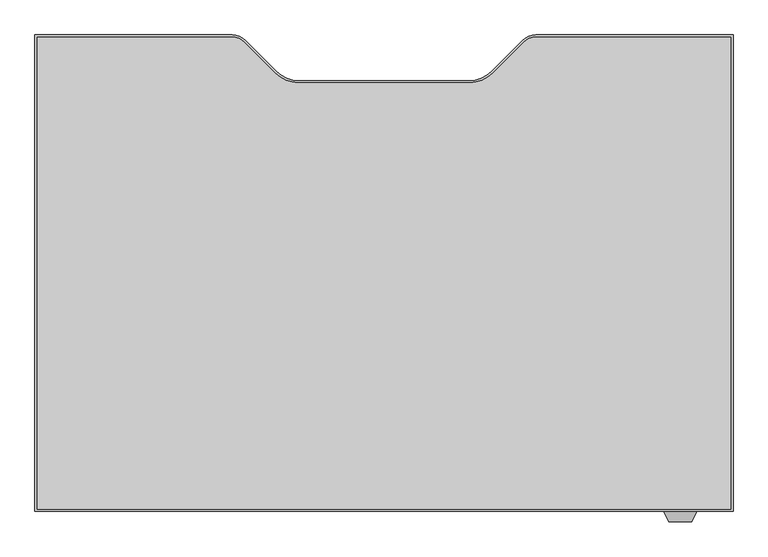
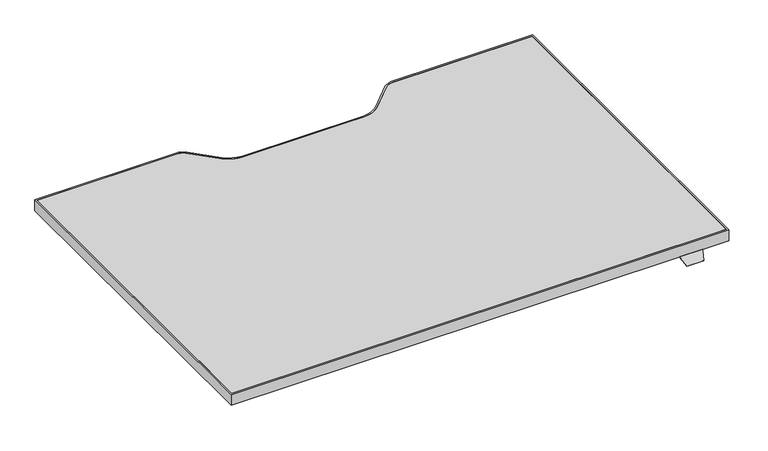
"""IFC4 building model written with IfcOpenShell, lengths in millimetres: furniture geometry."""

from ifc_helpers import new_model, si_unit, point, frame, frame_2d, origin, place, context, project, spatial, polyline, circle_curve, trimmed, segment, composite_curve, outline, extrude, faceted_brep, source, transform, mapped, element, save


def furniture_057ee53e(model_context):
    return source(origin(), model_context, "Body", "SolidModel", [
        faceted_brep([(93.7677913, -465.8301693, 760.9984131), (93.7677913, -463.3074599, 760.9984131), (93.7677913, -463.3074599, 762.4), (93.7677913, -465.8490853, 762.4), (93.7677913, -467.1594921, 761.3004382), (93.7677913, -467.1594921, 759.8829789), (44.1948135, -465.8490853, 762.4), (44.1948135, -463.3074599, 762.4), (44.1948135, -463.3074599, 760.9984131), (44.1948135, -465.8301693, 760.9984131), (44.1948135, -467.1594921, 759.8829789), (44.1948135, -467.1594921, 761.3004382), (86.7858363, -482.1323429, 748.7367246), (51.1767685, -482.1323429, 748.7367246), (50.8173686, -481.3616074, 747.9659891), (87.1452362, -481.3616074, 747.9659891)], [[[0, 1, 2, 3, 4, 5]], [[6, 7, 8, 9, 10, 11]], [[12, 13, 14, 15]], [[9, 0, 5, 15, 14, 10]], [[1, 0, 9, 8]], [[2, 1, 8, 7]], [[3, 2, 7, 6]], [[3, 6, 11, 13, 12, 4]], [[5, 4, 12, 15]], [[11, 10, 14, 13]]]),
        extrude(outline(composite_curve([segment(polyline([(-928.9785908, 270.7509147), (-623.9070191, 270.7509147)]), True, "CONTINUOUS"), segment(trimmed(circle_curve(frame_2d((-623.9070191, 242.0489147)), 28.702), [point((-623.9070191, 270.7509147))], [point((-603.6116402, 262.3442935))], False, "CARTESIAN"), True, "CONTINUOUS"), segment(polyline([(-603.6116402, 262.3442935), (-556.0972358, 214.8298891)]), True, "CONTINUOUS"), segment(trimmed(circle_curve(frame_2d((-520.1762113, 250.7509136)), 50.8), [point((-556.0972358, 214.8298891))], [point((-520.1762113, 199.9509136))], True, "CARTESIAN"), True, "CONTINUOUS"), segment(polyline([(-520.1762113, 199.9509136), (-258.2809703, 199.9509136)]), True, "CONTINUOUS"), segment(trimmed(circle_curve(frame_2d((-258.2809703, 250.7509136)), 50.8), [point((-258.2809703, 199.9509136))], [point((-222.3599458, 214.8298891))], True, "CARTESIAN"), True, "CONTINUOUS"), segment(polyline([(-222.3599458, 214.8298891), (-174.8455414, 262.3442935)]), True, "CONTINUOUS"), segment(trimmed(circle_curve(frame_2d((-154.5501625, 242.0489147)), 28.702), [point((-174.8455414, 262.3442935))], [point((-154.5501625, 270.7509147))], False, "CARTESIAN"), True, "CONTINUOUS"), segment(polyline([(-154.5501625, 270.7509147), (150.5214092, 270.7509147), (150.5214092, -465.8490853), (-928.9785908, -465.8490853), (-928.9785908, 270.7509147)]), True, "CONTINUOUS")], self_intersect=False), holes=[composite_curve([segment(polyline([(-925.5987543, 267.4489147), (-925.5987543, -462.5470853), (147.2194092, -462.5470853), (147.2194092, 267.4489147), (-154.5501625, 267.4489147)]), True, "CONTINUOUS"), segment(trimmed(circle_curve(frame_2d((-154.5501625, 242.0489147)), 25.4), [point((-154.5501625, 267.4489147))], [point((-172.5106748, 260.0094269))], True, "CARTESIAN"), True, "CONTINUOUS"), segment(polyline([(-172.5106748, 260.0094269), (-220.527602, 211.9924998)]), True, "CONTINUOUS"), segment(trimmed(circle_curve(frame_2d((-256.4486265, 247.9135242)), 50.8), [point((-220.527602, 211.9924998))], [point((-256.4486265, 197.1135242))], False, "CARTESIAN"), True, "CONTINUOUS"), segment(polyline([(-256.4486265, 197.1135242), (-389.2285908, 197.1135242), (-522.0085552, 197.1135242)]), True, "CONTINUOUS"), segment(trimmed(circle_curve(frame_2d((-522.0085552, 247.9135242)), 50.8), [point((-522.0085552, 197.1135242))], [point((-557.9295796, 211.9924998))], False, "CARTESIAN"), True, "CONTINUOUS"), segment(polyline([(-557.9295796, 211.9924998), (-605.9465068, 260.0094269)]), True, "CONTINUOUS"), segment(trimmed(circle_curve(frame_2d((-623.9070191, 242.0489147)), 25.4), [point((-605.9465068, 260.0094269))], [point((-623.9070191, 267.4489147))], True, "CARTESIAN"), True, "CONTINUOUS"), segment(polyline([(-623.9070191, 267.4489147), (-925.5987543, 267.4489147)]), True, "CONTINUOUS")], self_intersect=False)]), frame((0.0, 0.0, 762.4), z_axis=(0.0, 0.0, 1.0), x_axis=(1.0, 0.0, 0.0)), (0.0, 0.0, 1.0), 25.0),
        extrude(outline(composite_curve([segment(polyline([(-925.5987543, 267.4489147), (-623.9070191, 267.4489147)]), True, "CONTINUOUS"), segment(trimmed(circle_curve(frame_2d((-623.9070191, 242.0489147)), 25.4), [point((-623.9070191, 267.4489147))], [point((-605.9465068, 260.0094269))], False, "CARTESIAN"), True, "CONTINUOUS"), segment(polyline([(-605.9465068, 260.0094269), (-557.9295796, 211.9924998)]), True, "CONTINUOUS"), segment(trimmed(circle_curve(frame_2d((-522.0085552, 247.9135242)), 50.8), [point((-557.9295796, 211.9924998))], [point((-522.0085552, 197.1135242))], True, "CARTESIAN"), True, "CONTINUOUS"), segment(polyline([(-522.0085552, 197.1135242), (-389.2285908, 197.1135242), (-256.4486265, 197.1135242)]), True, "CONTINUOUS"), segment(trimmed(circle_curve(frame_2d((-256.4486265, 247.9135242)), 50.8), [point((-256.4486265, 197.1135242))], [point((-220.527602, 211.9924998))], True, "CARTESIAN"), True, "CONTINUOUS"), segment(polyline([(-220.527602, 211.9924998), (-172.5106748, 260.0094269)]), True, "CONTINUOUS"), segment(trimmed(circle_curve(frame_2d((-154.5501625, 242.0489147)), 25.4), [point((-172.5106748, 260.0094269))], [point((-154.5501625, 267.4489147))], False, "CARTESIAN"), True, "CONTINUOUS"), segment(polyline([(-154.5501625, 267.4489147), (147.2194092, 267.4489147), (147.2194092, -462.5470853), (-925.5987543, -462.5470853), (-925.5987543, 267.4489147)]), True, "CONTINUOUS")], self_intersect=False)), frame((0.0, 0.0, 762.4), z_axis=(0.0, 0.0, 1.0), x_axis=(1.0, 0.0, 0.0)), (0.0, 0.0, 1.0), 25.0),
    ])


if __name__ == "__main__":
    model = new_model("IFC4")
    model_context = context("Model", 3, world=origin())
    ifc_project = project(units=[si_unit("LENGTHUNIT", "METRE", prefix="MILLI")], contexts=[model_context])
    site = spatial("IfcSite", under=ifc_project)
    building = spatial("IfcBuilding", under=site)
    placement = place(None, origin())
    furniture_shape = furniture_057ee53e(model_context)
    element("IfcFurniture", 1, at=placement, inside=building, context=model_context, shape_type="MappedRepresentation", body=[
        mapped(furniture_shape, transform((0.0, 0.0, 0.0), x_axis=(1.0, 0.0, 0.0), y_axis=(0.0, 1.0, 0.0), z_axis=(0.0, 0.0, 1.0))),
    ])
    save(model, "model.ifc")
